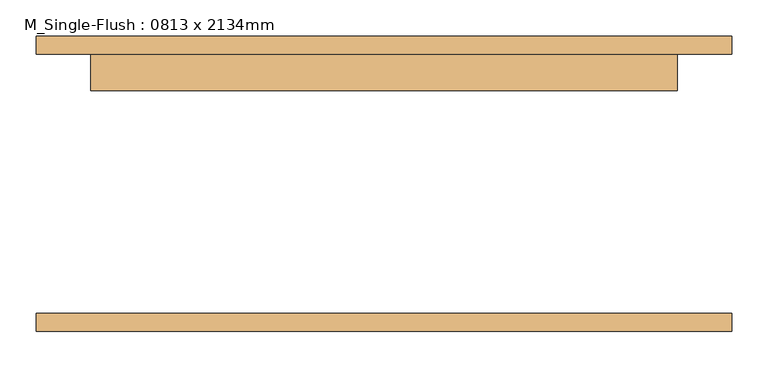
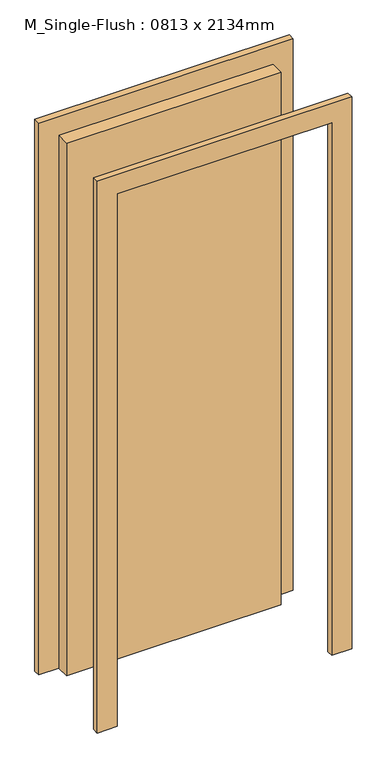
"""IFC4 building model written with IfcOpenShell, lengths in millimetres: door geometry, M_Single-Flush : 0813 x 2134mm."""

from ifc_helpers import new_model, si_unit, frame, origin, origin_with_axes, place, context, project, spatial, polyline, outline, extrude, source, transform, mapped, element, save


def m_single_flush_0813_x_2134mm_e2aee54b(model_context):
    return source(origin(), model_context, "Body", "SweptSolid", [
        extrude(outline(polyline([(2210.0, -482.5), (0.0, -482.5), (0.0, -406.5), (2134.0, -406.5), (2134.0, 406.5), (0.0, 406.5), (0.0, 482.5), (2210.0, 482.5), (2210.0, -482.5)])), frame((0.0, 180.0, 0.0), z_axis=(0.0, 1.0, 0.0), x_axis=(0.0, 0.0, 1.0)), (0.0, 0.0, 1.0), 25.0),
        extrude(outline(polyline([(2210.0, 482.5), (2210.0, -482.5), (0.0, -482.5), (0.0, -406.5), (2134.0, -406.5), (2134.0, 406.5), (0.0, 406.5), (0.0, 482.5), (2210.0, 482.5)])), frame((0.0, -205.0, 0.0), z_axis=(0.0, 1.0, 0.0), x_axis=(0.0, 0.0, 1.0)), (0.0, 0.0, 1.0), 25.0),
        extrude(outline(polyline([(406.5, 129.0), (-406.5, 129.0), (-406.5, 180.0), (406.5, 180.0), (406.5, 129.0)])), origin_with_axes(), (0.0, 0.0, 1.0), 2134.0),
    ])


if __name__ == "__main__":
    model = new_model("IFC4")
    model_context = context("Model", 3, world=origin())
    ifc_project = project(units=[si_unit("LENGTHUNIT", "METRE", prefix="MILLI")], contexts=[model_context])
    site = spatial("IfcSite", under=ifc_project)
    building = spatial("IfcBuilding", under=site)
    placement = place(None, origin())
    m_single_flush_0813_x_2134mm_shape = m_single_flush_0813_x_2134mm_e2aee54b(model_context)
    element("IfcDoor", 1, ObjectType="M_Single-Flush : 0813 x 2134mm", at=placement, inside=building, context=model_context, shape_type="MappedRepresentation", body=[
        mapped(m_single_flush_0813_x_2134mm_shape, transform((0.0, 0.0, 0.0), x_axis=(1.0, 0.0, 0.0), y_axis=(0.0, 1.0, 0.0), z_axis=(0.0, 0.0, 1.0))),
    ])
    save(model, "model.ifc")
